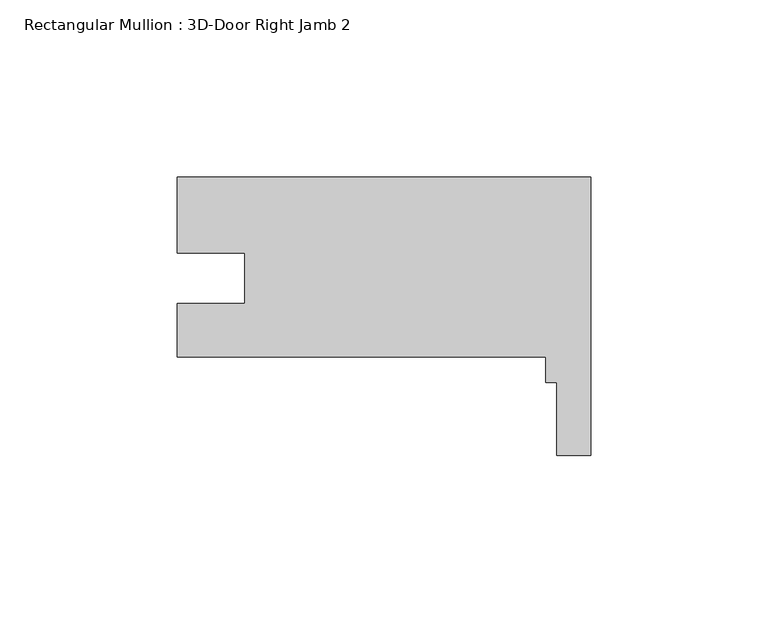
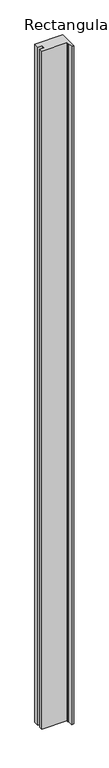
"""IFC4 building model written with IfcOpenShell, lengths in millimetres: member geometry, Rectangular Mullion : 3D-Door Right Jamb 2."""

from ifc_helpers import new_model, si_unit, frame, origin, place, context, project, spatial, polyline, outline, extrude, source, transform, mapped, element, save


def rectangular_mullion_3d_door_right_jamb_2_72e2caee(model_context):
    return source(origin(), model_context, "Body", "SweptSolid", [
        extrude(outline(polyline([(0.0, 60.1678539), (0.0, -18.4194921), (-9.525, -18.4194921), (-9.525, 2.2053079), (-12.7, 2.2053079), (-12.7, 9.3678539), (-116.5860013, 9.3678539), (-116.5860013, 24.4681539), (-97.5614013, 24.4681539), (-97.5614013, 38.7810473), (-116.586, 38.7810473), (-116.586, 60.1678539), (0.0, 60.1678539)])), frame((0.0, 0.0, -2984.5), z_axis=(0.0, 0.0, 1.0), x_axis=(1.0, 0.0, 0.0)), (0.0, 0.0, 1.0), 2984.5),
    ])


if __name__ == "__main__":
    model = new_model("IFC4")
    model_context = context("Model", 3, world=origin())
    ifc_project = project(units=[si_unit("LENGTHUNIT", "METRE", prefix="MILLI")], contexts=[model_context])
    site = spatial("IfcSite", under=ifc_project)
    building = spatial("IfcBuilding", under=site)
    placement = place(None, origin())
    rectangular_mullion_3d_door_right_jamb_2_shape = rectangular_mullion_3d_door_right_jamb_2_72e2caee(model_context)
    element("IfcMember", 1, ObjectType="Rectangular Mullion : 3D-Door Right Jamb 2", at=placement, inside=building, context=model_context, shape_type="MappedRepresentation", body=[
        mapped(rectangular_mullion_3d_door_right_jamb_2_shape, transform((0.0, 0.0, 0.0), x_axis=(1.0, 0.0, 0.0), y_axis=(0.0, 1.0, 0.0), z_axis=(0.0, 0.0, 1.0))),
    ])
    save(model, "model.ifc")
